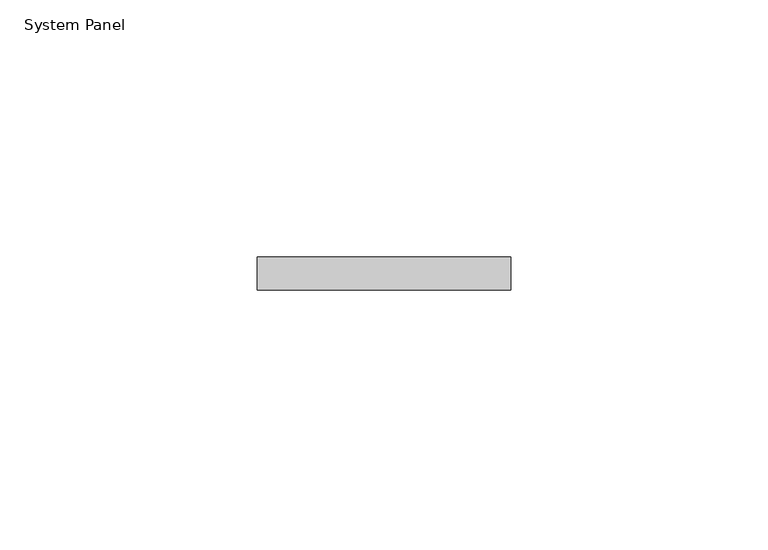
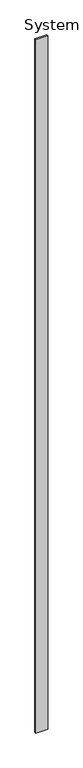
"""IFC4 building model written with IfcOpenShell, lengths in millimetres: plate geometry, System Panel."""

from ifc_helpers import new_model, si_unit, origin, origin_with_axes, place, context, project, spatial, polyline, outline, extrude, source, transform, mapped, element, save


def system_panel_9bd4726f(model_context):
    return source(origin(), model_context, "Body", "SweptSolid", [
        extrude(outline(polyline([(24.5996354, 0.0), (-24.5996354, 0.0), (-24.5996354, 6.35), (24.5996354, 6.35), (24.5996354, 0.0)])), origin_with_axes(), (0.0, 0.0, 1.0), 3048.0),
    ])


if __name__ == "__main__":
    model = new_model("IFC4")
    model_context = context("Model", 3, world=origin())
    ifc_project = project(units=[si_unit("LENGTHUNIT", "METRE", prefix="MILLI")], contexts=[model_context])
    site = spatial("IfcSite", under=ifc_project)
    building = spatial("IfcBuilding", under=site)
    placement = place(None, origin())
    system_panel_shape = system_panel_9bd4726f(model_context)
    element("IfcPlate", 1, ObjectType="System Panel", at=placement, inside=building, context=model_context, shape_type="MappedRepresentation", body=[
        mapped(system_panel_shape, transform((0.0, 0.0, 0.0), x_axis=(1.0, 0.0, 0.0), y_axis=(0.0, 1.0, 0.0), z_axis=(0.0, 0.0, 1.0))),
    ])
    save(model, "model.ifc")
